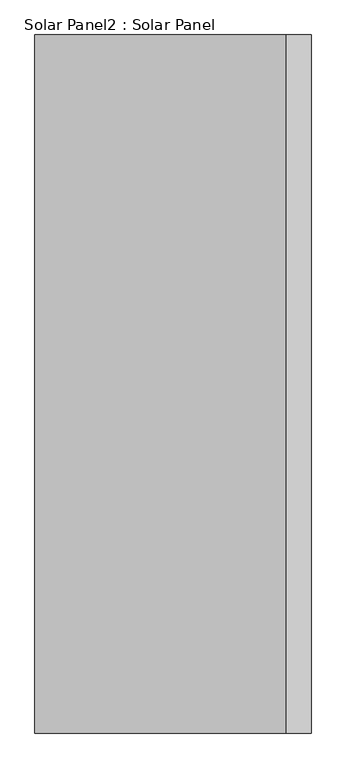
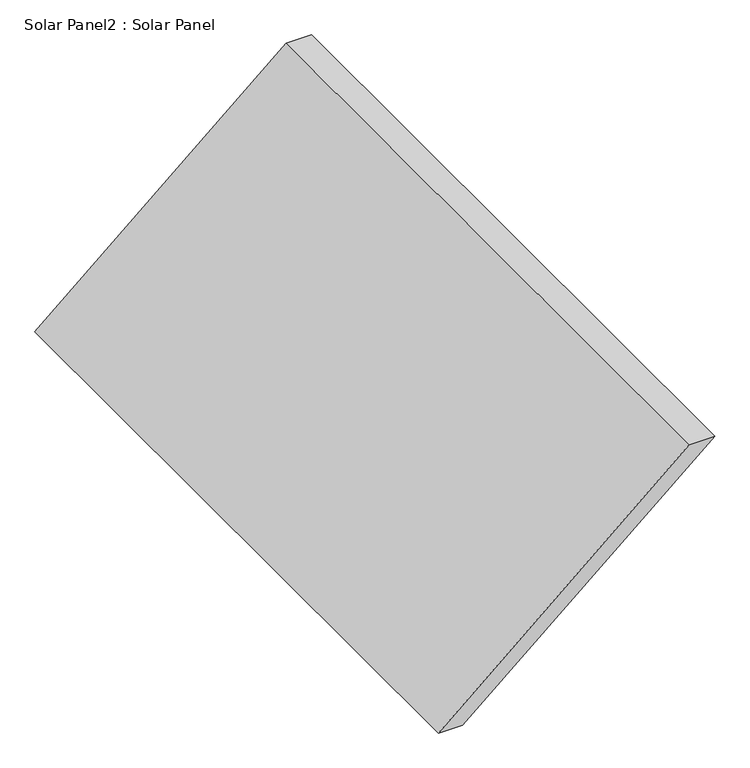
"""IFC4 building model written with IfcOpenShell, lengths in millimetres: air terminal geometry, Solar Panel2 : Solar Panel."""

from ifc_helpers import new_model, si_unit, frame, origin, place, context, project, spatial, polyline, outline, extrude, source, transform, mapped, element, save


def solar_panel2_solar_panel_d1d13901(model_context):
    return source(origin(), model_context, "Body", "SweptSolid", [
        extrude(outline(polyline([(5700.0, 25094.3403553), (5700.0, 25194.3403553), (6600.0, 26241.2567874), (6600.0, 26135.3393037), (5700.0, 25094.3403553)])), frame((0.0, 11297.4930074, 0.0), z_axis=(0.0, 1.0, 0.0), x_axis=(0.0, 0.0, 1.0)), (0.0, 0.0, 1.0), 2900.0),
    ])


if __name__ == "__main__":
    model = new_model("IFC4")
    model_context = context("Model", 3, world=origin())
    ifc_project = project(units=[si_unit("LENGTHUNIT", "METRE", prefix="MILLI")], contexts=[model_context])
    site = spatial("IfcSite", under=ifc_project)
    building = spatial("IfcBuilding", under=site)
    placement = place(None, origin())
    solar_panel2_solar_panel_shape = solar_panel2_solar_panel_d1d13901(model_context)
    element("IfcAirTerminal", 1, ObjectType="Solar Panel2 : Solar Panel", at=placement, inside=building, context=model_context, shape_type="MappedRepresentation", body=[
        mapped(solar_panel2_solar_panel_shape, transform((0.0, 0.0, 0.0), x_axis=(1.0, 0.0, 0.0), y_axis=(0.0, 1.0, 0.0), z_axis=(0.0, 0.0, 1.0))),
    ])
    save(model, "model.ifc")
